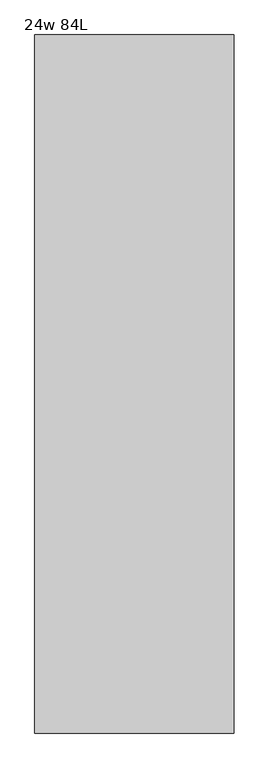
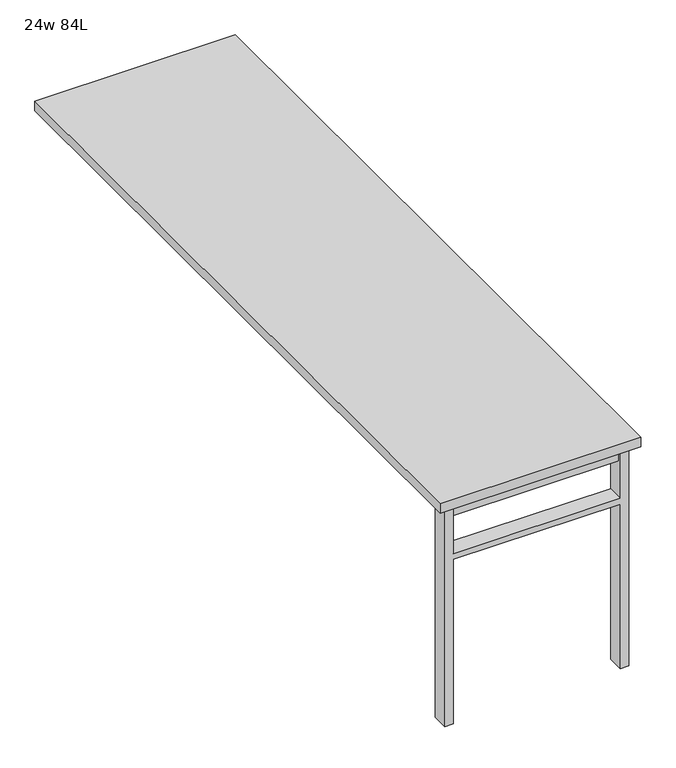
"""IFC4 building model written with IfcOpenShell, lengths in millimetres: furniture geometry, 24w 84L."""

from ifc_helpers import new_model, si_unit, frame, origin, place, context, project, spatial, polyline, outline, extrude, source, transform, mapped, element, save


def furniture_24w_84l_1ce29998(model_context):
    return source(origin(), model_context, "Body", "SweptSolid", [
        extrude(outline(polyline([(-254.0, -1006.475), (254.0, -1006.475), (254.0, -1038.225), (-254.0, -1038.225), (-254.0, -1006.475)])), frame((0.0, 0.0, 661.9875), z_axis=(0.0, 0.0, 1.0), x_axis=(1.0, 0.0, 0.0)), (0.0, 0.0, 1.0), 44.45),
        extrude(outline(polyline([(528.6375, 254.0), (0.0, 254.0), (0.0, 279.4), (706.4375, 279.4), (706.4375, 254.0), (547.6875, 254.0), (547.6875, -254.0), (706.4375, -254.0), (706.4375, -279.4), (0.0, -279.4), (0.0, -254.0), (528.6375, -254.0), (528.6375, 254.0)])), frame((0.0, -1047.75, 0.0), z_axis=(0.0, 1.0, 0.0), x_axis=(0.0, 0.0, 1.0)), (0.0, 0.0, 1.0), 50.8),
        extrude(outline(polyline([(-304.8, -1066.8), (-304.8, 1066.8), (304.8, 1066.8), (304.8, -1066.8), (-304.8, -1066.8)])), frame((0.0, 0.0, 706.4375), z_axis=(0.0, 0.0, 1.0), x_axis=(1.0, 0.0, 0.0)), (0.0, 0.0, 1.0), 30.1625),
    ])


if __name__ == "__main__":
    model = new_model("IFC4")
    model_context = context("Model", 3, world=origin())
    ifc_project = project(units=[si_unit("LENGTHUNIT", "METRE", prefix="MILLI")], contexts=[model_context])
    site = spatial("IfcSite", under=ifc_project)
    building = spatial("IfcBuilding", under=site)
    placement = place(None, origin())
    furniture_24w_84l_shape = furniture_24w_84l_1ce29998(model_context)
    element("IfcFurniture", 1, ObjectType="24w 84L", at=placement, inside=building, context=model_context, shape_type="MappedRepresentation", body=[
        mapped(furniture_24w_84l_shape, transform((0.0, 0.0, 0.0), x_axis=(1.0, 0.0, 0.0), y_axis=(0.0, 1.0, 0.0), z_axis=(0.0, 0.0, 1.0))),
    ])
    save(model, "model.ifc")
